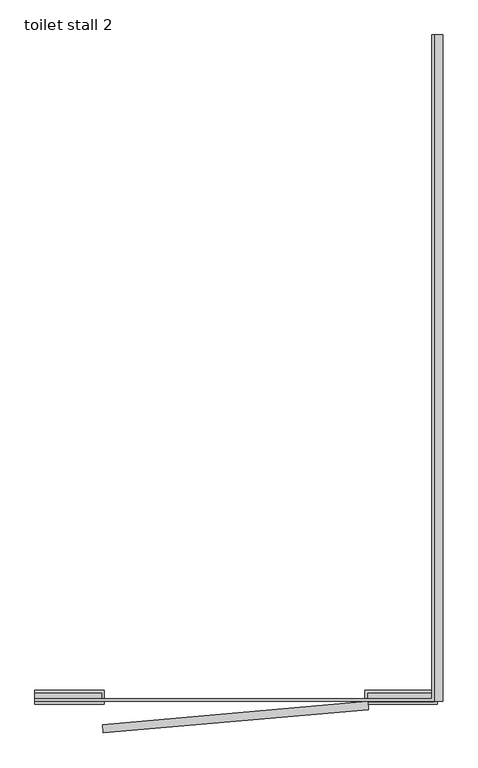
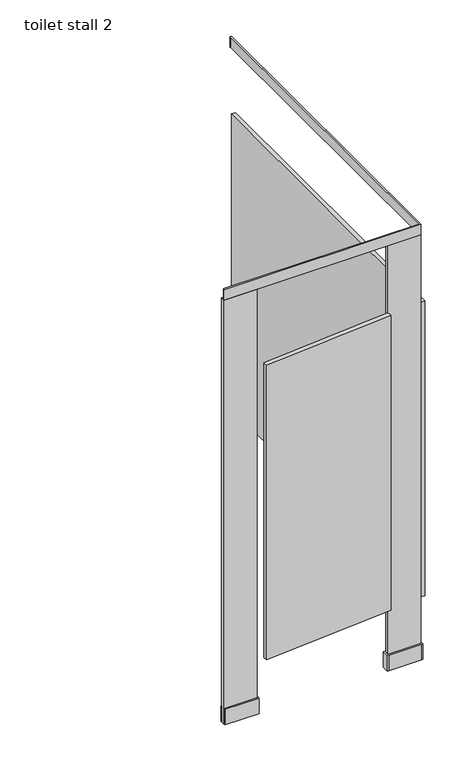
"""IFC4 building model written with IfcOpenShell, lengths in millimetres: proxy geometry, toilet stall 2."""

from ifc_helpers import new_model, si_unit, frame, origin, origin_with_axes, place, context, project, spatial, polyline, outline, extrude, source, transform, mapped, element, save


def toilet_stall_2_0e8c9658(model_context):
    return source(origin(), model_context, "Body", "SweptSolid", [
        extrude(outline(polyline([(450.85, -62.0), (457.2, -62.0), (457.2, -1586.0), (-457.2, -1586.0), (-457.2, -1579.65), (-450.85, -1579.65), (450.85, -1579.65), (450.85, -68.35), (450.85, -62.0)])), frame((0.0, 0.0, 2082.8), z_axis=(0.0, 0.0, 1.0), x_axis=(1.0, 0.0, 0.0)), (0.0, 0.0, 1.0), 50.8),
        extrude(outline(polyline([(-304.8, -1586.0), (-304.8, -1566.95), (-457.2, -1566.95), (-457.2, -1560.6), (-298.45, -1560.6), (-298.45, -1566.95), (-298.45, -1586.0), (-298.45, -1592.35), (-457.2, -1592.35), (-457.2, -1586.0), (-304.8, -1586.0)])), origin_with_axes(), (0.0, 0.0, 1.0), 76.2),
        extrude(outline(polyline([(304.8, -1592.35), (298.45, -1592.35), (298.45, -1560.6), (457.2, -1560.6), (463.55, -1560.6), (463.55, -1592.35), (457.2, -1592.35), (304.8, -1592.35)]), holes=[polyline([(304.8, -1586.0), (457.2, -1586.0), (457.2, -1566.95), (304.8, -1566.95), (304.8, -1586.0)])]), origin_with_axes(), (0.0, 0.0, 1.0), 76.2),
        extrude(outline(polyline([(-300.8199711, -1658.1076498), (-302.480288, -1639.1301408), (304.8, -1586.0), (306.4603169, -1604.977509), (-300.8199711, -1658.1076498)])), frame((0.0, 0.0, 304.8), z_axis=(0.0, 0.0, 1.0), x_axis=(1.0, 0.0, 0.0)), (0.0, 0.0, 1.0), 1447.8),
        extrude(outline(polyline([(457.2, -1566.95), (457.2, -1586.0), (304.8, -1586.0), (304.8, -1566.95), (457.2, -1566.95)])), origin_with_axes(), (0.0, 0.0, 1.0), 2082.8),
        extrude(outline(polyline([(-304.8, -1566.95), (-304.8, -1586.0), (-457.2, -1586.0), (-457.2, -1566.95), (-304.8, -1566.95)])), origin_with_axes(), (0.0, 0.0, 1.0), 2082.8),
        extrude(outline(polyline([(476.25, -1586.0), (457.2, -1586.0), (457.2, -62.0), (476.25, -62.0), (476.25, -1586.0)])), frame((0.0, 0.0, 304.8), z_axis=(0.0, 0.0, 1.0), x_axis=(1.0, 0.0, 0.0)), (0.0, 0.0, 1.0), 1447.8),
    ])


if __name__ == "__main__":
    model = new_model("IFC4")
    model_context = context("Model", 3, world=origin())
    ifc_project = project(units=[si_unit("LENGTHUNIT", "METRE", prefix="MILLI")], contexts=[model_context])
    site = spatial("IfcSite", under=ifc_project)
    building = spatial("IfcBuilding", under=site)
    placement = place(None, origin())
    toilet_stall_2_shape = toilet_stall_2_0e8c9658(model_context)
    element("IfcBuildingElementProxy", 1, Name="toilet stall 2", ObjectType="toilet stall 2", at=placement, inside=building, context=model_context, shape_type="MappedRepresentation", body=[
        mapped(toilet_stall_2_shape, transform((0.0, 0.0, 0.0), x_axis=(1.0, 0.0, 0.0), y_axis=(0.0, 1.0, 0.0), z_axis=(0.0, 0.0, 1.0))),
    ])
    save(model, "model.ifc")
